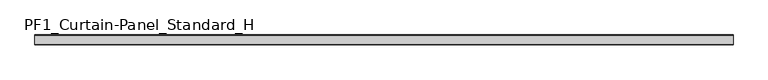
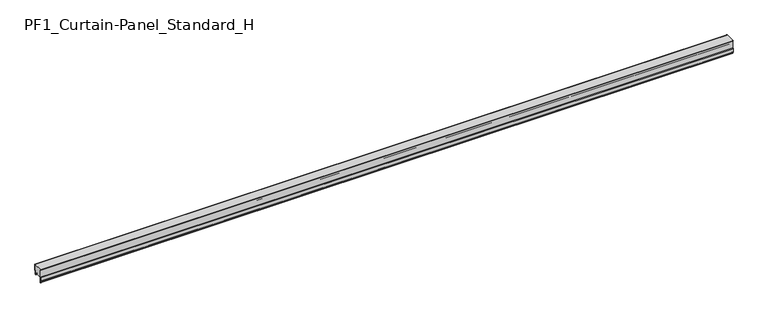
"""IFC4 building model written with IfcOpenShell, lengths in millimetres: plate geometry, PF1_Curtain-Panel_Standard_H."""

from ifc_helpers import new_model, si_unit, point, frame, frame_2d, origin, place, context, project, spatial, polyline, circle_curve, trimmed, segment, composite_curve, outline, extrude, source, transform, mapped, element, save


def pf1_curtain_panel_standard_h_e06c44a4(model_context):
    return source(origin(), model_context, "Body", "SweptSolid", [
        extrude(outline(composite_curve([segment(polyline([(-15.878557, 0.0), (-20.0, 0.0), (-20.0, 0.8), (-15.878557, 0.8)]), True, "CONTINUOUS"), segment(trimmed(circle_curve(frame_2d((-15.878557, -2.0)), 2.8), [point((-15.878557, 0.8))], [point((-13.1503208, -1.370137))], False, "CARTESIAN"), True, "CONTINUOUS"), segment(polyline([(-13.1503208, -1.370137), (-11.728236, -7.529863)]), True, "CONTINUOUS"), segment(trimmed(circle_curve(frame_2d((-9.0, -6.9)), 2.8), [point((-11.728236, -7.529863))], [point((-6.2, -6.9))], True, "CARTESIAN"), True, "CONTINUOUS"), segment(polyline([(-6.2, -6.9), (-6.2, 8.6)]), True, "CONTINUOUS"), segment(trimmed(circle_curve(frame_2d((-3.4, 8.6)), 2.8), [point((-6.2, 8.6))], [point((-3.4, 11.4))], False, "CARTESIAN"), True, "CONTINUOUS"), segment(polyline([(-3.4, 11.4), (-2.0, 11.4)]), True, "CONTINUOUS"), segment(trimmed(circle_curve(frame_2d((-2.0, 12.6)), 1.2), [point((-2.0, 11.4))], [point((-0.8, 12.6))], True, "CARTESIAN"), True, "CONTINUOUS"), segment(polyline([(-0.8, 12.6), (-0.8, 50.0), (0.0, 50.0), (0.0, 12.6)]), True, "CONTINUOUS"), segment(trimmed(circle_curve(frame_2d((-2.0, 12.6)), 2.0), [point((0.0, 12.6))], [point((-2.0, 10.6))], False, "CARTESIAN"), True, "CONTINUOUS"), segment(polyline([(-2.0, 10.6), (-3.4, 10.6)]), True, "CONTINUOUS"), segment(trimmed(circle_curve(frame_2d((-3.4, 8.6)), 2.0), [point((-3.4, 10.6))], [point((-5.4, 8.6))], True, "CARTESIAN"), True, "CONTINUOUS"), segment(polyline([(-5.4, 8.6), (-5.4, -6.9)]), True, "CONTINUOUS"), segment(trimmed(circle_curve(frame_2d((-9.0, -6.9)), 3.6), [point((-5.4, -6.9))], [point((-12.5077322, -7.7098239))], False, "CARTESIAN"), True, "CONTINUOUS"), segment(polyline([(-12.5077322, -7.7098239), (-13.929817, -1.5500979)]), True, "CONTINUOUS"), segment(trimmed(circle_curve(frame_2d((-15.878557, -2.0)), 2.0), [point((-13.929817, -1.5500979))], [point((-15.878557, 0.0))], True, "CARTESIAN"), True, "CONTINUOUS")], self_intersect=False)), frame((-2100.0, 0.0, 0.0), z_axis=(1.0, 0.0, 0.0), x_axis=(0.0, 1.0, 0.0)), (0.0, 0.0, 1.0), 4200.0),
        extrude(outline(composite_curve([segment(polyline([(-50.0, 0.0), (-53.5, 0.0)]), True, "CONTINUOUS"), segment(trimmed(circle_curve(frame_2d((-53.5, -2.0)), 2.0), [point((-53.5, 0.0))], [point((-55.5, -2.0))], True, "CARTESIAN"), True, "CONTINUOUS"), segment(polyline([(-55.5, -2.0), (-55.5, -33.0)]), True, "CONTINUOUS"), segment(trimmed(circle_curve(frame_2d((-56.5, -33.0)), 1.0), [point((-55.5, -33.0))], [point((-57.5, -33.0))], False, "CARTESIAN"), True, "CONTINUOUS"), segment(polyline([(-57.5, -33.0), (-57.5, -26.9)]), True, "CONTINUOUS"), segment(trimmed(circle_curve(frame_2d((-58.4, -26.9)), 0.9), [point((-57.5, -26.9))], [point((-58.4, -26.0))], True, "CARTESIAN"), True, "CONTINUOUS"), segment(trimmed(circle_curve(frame_2d((-58.4, -24.4)), 1.6), [point((-58.4, -26.0))], [point((-60.0, -24.4))], False, "CARTESIAN"), True, "CONTINUOUS"), segment(polyline([(-60.0, -24.4), (-60.0, -0.9952559), (-58.5, 1.6028217), (-58.5, 46.4028193), (-60.0, 49.0008969), (-60.0, 50.0), (-59.2, 50.0), (-59.2, 49.2152562), (-57.7, 46.6171786), (-57.7, 1.3884624), (-59.2, -1.2096152), (-59.2, -24.4)]), True, "CONTINUOUS"), segment(trimmed(circle_curve(frame_2d((-58.4, -24.4)), 0.8), [point((-59.2, -24.4))], [point((-58.4, -25.2))], True, "CARTESIAN"), True, "CONTINUOUS"), segment(trimmed(circle_curve(frame_2d((-58.6133333, -26.9)), 1.7133333), [point((-58.4, -25.2))], [point((-56.9, -26.9))], False, "CARTESIAN"), True, "CONTINUOUS"), segment(polyline([(-56.9, -26.9), (-56.9, -32.8700312)]), True, "CONTINUOUS"), segment(trimmed(circle_curve(frame_2d((-56.6, -32.8700312)), 0.3), [point((-56.9, -32.8700312))], [point((-56.3, -32.8700312))], True, "CARTESIAN"), True, "CONTINUOUS"), segment(polyline([(-56.3, -32.8700312), (-56.3, -2.0)]), True, "CONTINUOUS"), segment(trimmed(circle_curve(frame_2d((-53.5, -2.0)), 2.8), [point((-56.3, -2.0))], [point((-53.5, 0.8))], False, "CARTESIAN"), True, "CONTINUOUS"), segment(polyline([(-53.5, 0.8), (-50.0, 0.8), (-50.0, 0.0)]), True, "CONTINUOUS")], self_intersect=False)), frame((-2100.0, 0.0, 0.0), z_axis=(1.0, 0.0, 0.0), x_axis=(0.0, 1.0, 0.0)), (0.0, 0.0, 1.0), 4200.0),
        extrude(outline(composite_curve([segment(polyline([(-50.0, 0.8), (-53.5, 0.8)]), True, "CONTINUOUS"), segment(trimmed(circle_curve(frame_2d((-53.5, -2.0)), 2.8), [point((-53.5, 0.8))], [point((-56.3, -2.0))], True, "CARTESIAN"), True, "CONTINUOUS"), segment(polyline([(-56.3, -2.0), (-56.3, -32.8700312)]), True, "CONTINUOUS"), segment(trimmed(circle_curve(frame_2d((-56.6, -32.8700312)), 0.3), [point((-56.3, -32.8700312))], [point((-56.9, -32.8700312))], False, "CARTESIAN"), True, "CONTINUOUS"), segment(polyline([(-56.9, -32.8700312), (-56.9, -26.9)]), True, "CONTINUOUS"), segment(trimmed(circle_curve(frame_2d((-58.6133333, -26.9)), 1.7133333), [point((-56.9, -26.9))], [point((-58.4, -25.2))], True, "CARTESIAN"), True, "CONTINUOUS"), segment(trimmed(circle_curve(frame_2d((-58.4, -24.4)), 0.8), [point((-58.4, -25.2))], [point((-59.2, -24.4))], False, "CARTESIAN"), True, "CONTINUOUS"), segment(polyline([(-59.2, -24.4), (-59.2, -1.2096152), (-57.7, 1.3884624), (-57.7, 46.6171786), (-59.2, 49.2152562), (-59.2, 50.0), (-0.8, 50.0), (-0.8, 12.6)]), True, "CONTINUOUS"), segment(trimmed(circle_curve(frame_2d((-2.0, 12.6)), 1.2), [point((-0.8, 12.6))], [point((-2.0, 11.4))], False, "CARTESIAN"), True, "CONTINUOUS"), segment(polyline([(-2.0, 11.4), (-3.4, 11.4)]), True, "CONTINUOUS"), segment(trimmed(circle_curve(frame_2d((-3.4, 8.6)), 2.8), [point((-3.4, 11.4))], [point((-6.2, 8.6))], True, "CARTESIAN"), True, "CONTINUOUS"), segment(polyline([(-6.2, 8.6), (-6.2, -6.9)]), True, "CONTINUOUS"), segment(trimmed(circle_curve(frame_2d((-9.0, -6.9)), 2.8), [point((-6.2, -6.9))], [point((-11.7282362, -7.529863))], False, "CARTESIAN"), True, "CONTINUOUS"), segment(polyline([(-11.7282362, -7.529863), (-13.1503208, -1.370137)]), True, "CONTINUOUS"), segment(trimmed(circle_curve(frame_2d((-15.878557, -2.0)), 2.8), [point((-13.1503208, -1.370137))], [point((-15.878557, 0.8))], True, "CARTESIAN"), True, "CONTINUOUS"), segment(polyline([(-15.878557, 0.8), (-20.0, 0.8), (-20.0, 0.0), (-50.0, 0.0), (-50.0, 0.8)]), True, "CONTINUOUS")], self_intersect=False)), frame((-2100.0, 0.0, 0.0), z_axis=(1.0, 0.0, 0.0), x_axis=(0.0, 1.0, 0.0)), (0.0, 0.0, 1.0), 4200.0),
    ])


if __name__ == "__main__":
    model = new_model("IFC4")
    model_context = context("Model", 3, world=origin())
    ifc_project = project(units=[si_unit("LENGTHUNIT", "METRE", prefix="MILLI")], contexts=[model_context])
    site = spatial("IfcSite", under=ifc_project)
    building = spatial("IfcBuilding", under=site)
    placement = place(None, origin())
    pf1_curtain_panel_standard_h_shape = pf1_curtain_panel_standard_h_e06c44a4(model_context)
    element("IfcPlate", 1, ObjectType="PF1_Curtain-Panel_Standard_H", at=placement, inside=building, context=model_context, shape_type="MappedRepresentation", body=[
        mapped(pf1_curtain_panel_standard_h_shape, transform((0.0, 0.0, 0.0), x_axis=(1.0, 0.0, 0.0), y_axis=(0.0, 1.0, 0.0), z_axis=(0.0, 0.0, 1.0))),
    ])
    save(model, "model.ifc")
